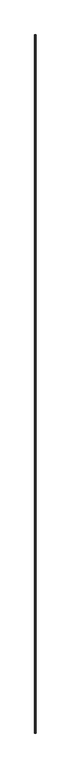
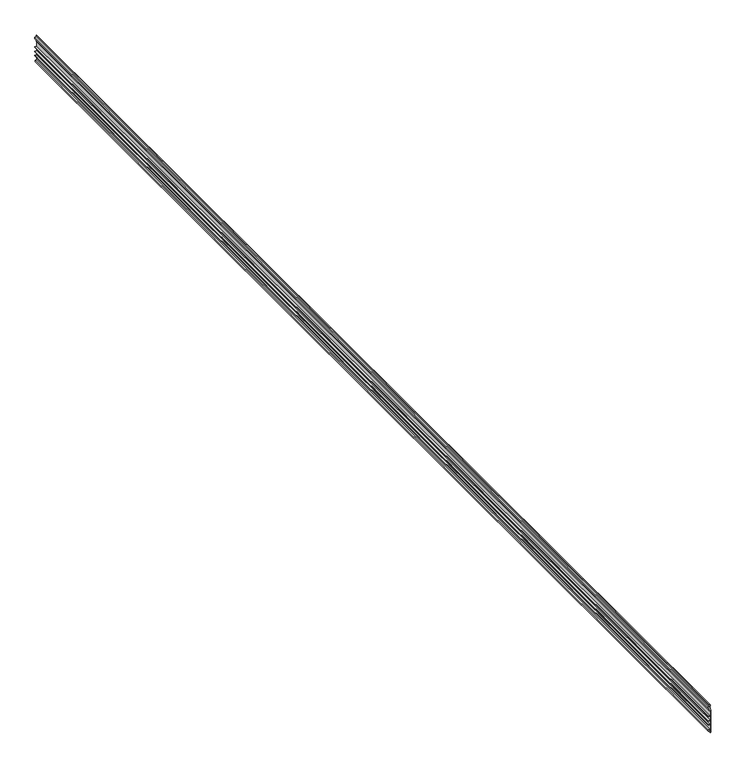
"""IFC4 building model written with IfcOpenShell, lengths in millimetres: proxy geometry."""

from ifc_helpers import new_model, si_unit, frame, origin, place, context, project, spatial, polyline, outline, extrude, source, transform, mapped, element, save


def generic_models_0a475d20(model_context):
    return source(origin(), model_context, "Body", "SweptSolid", [
        extrude(outline(polyline([(3270.2569019, 38255.1648517), (3270.2569019, 38258.3398517), (3403.6069019, 38258.3398517), (3403.6069019, 38255.1648517), (3416.3069019, 38255.1648517), (3418.8359786, 38249.7412292), (3423.3028252, 38249.7412292), (3425.8319019, 38255.1648517), (3435.3569019, 38255.1648517), (3435.3569019, 38251.9898517), (3427.8545999, 38251.9898517), (3425.0385724, 38245.9508611), (3417.1002314, 38245.9508611), (3414.2842038, 38251.9898517), (3400.4319019, 38251.9898517), (3400.4319019, 38255.1648517), (3369.4756519, 38255.1648517), (3369.4756519, 38245.6398517), (3366.3006519, 38245.6398517), (3366.3006519, 38255.1648517), (3344.0756519, 38255.1648517), (3344.0756519, 38245.6398517), (3340.9006519, 38245.6398517), (3340.9006519, 38255.1648517), (3318.6756519, 38255.1648517), (3318.6756519, 38245.6398517), (3315.5006519, 38245.6398517), (3315.5006519, 38255.1648517), (3290.1006519, 38255.1648517), (3290.1006519, 38246.3544132), (3280.5756519, 38246.3544132), (3280.5756519, 38250.2518612), (3286.9256519, 38250.2518612), (3286.9256519, 38255.1648517), (3270.2569019, 38255.1648517)])), frame((0.0, -25196.3529893, 0.0), z_axis=(0.0, 1.0, 0.0), x_axis=(0.0, 0.0, 1.0)), (0.0, 0.0, 1.0), 6533.92),
    ])


if __name__ == "__main__":
    model = new_model("IFC4")
    model_context = context("Model", 3, world=origin())
    ifc_project = project(units=[si_unit("LENGTHUNIT", "METRE", prefix="MILLI")], contexts=[model_context])
    site = spatial("IfcSite", under=ifc_project)
    building = spatial("IfcBuilding", under=site)
    placement = place(None, origin())
    generic_models_shape = generic_models_0a475d20(model_context)
    element("IfcBuildingElementProxy", 1, Name="Generic Models", at=placement, inside=building, context=model_context, shape_type="MappedRepresentation", body=[
        mapped(generic_models_shape, transform((0.0, 0.0, 0.0), x_axis=(1.0, 0.0, 0.0), y_axis=(0.0, 1.0, 0.0), z_axis=(0.0, 0.0, 1.0))),
    ])
    save(model, "model.ifc")
